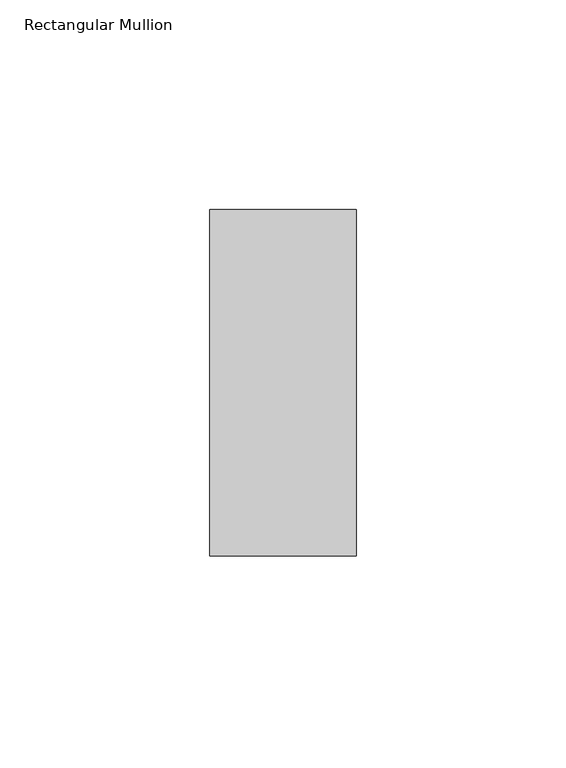
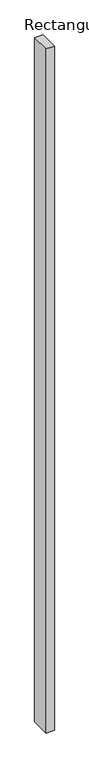
"""IFC4 building model written with IfcOpenShell, lengths in millimetres: member geometry, Rectangular Mullion."""

from ifc_helpers import new_model, si_unit, frame, origin, place, context, project, spatial, polyline, outline, extrude, source, transform, mapped, element, save


def rectangular_mullion_f72f4b3c(model_context):
    return source(origin(), model_context, "Body", "SweptSolid", [
        extrude(outline(polyline([(-34.925, -73.025), (-34.925, 9.525), (0.0, 9.525), (0.0, -73.025), (-34.925, -73.025)])), frame((0.0, 0.0, -3048.0), z_axis=(0.0, 0.0, 1.0), x_axis=(1.0, 0.0, 0.0)), (0.0, 0.0, 1.0), 3048.0),
    ])


if __name__ == "__main__":
    model = new_model("IFC4")
    model_context = context("Model", 3, world=origin())
    ifc_project = project(units=[si_unit("LENGTHUNIT", "METRE", prefix="MILLI")], contexts=[model_context])
    site = spatial("IfcSite", under=ifc_project)
    building = spatial("IfcBuilding", under=site)
    placement = place(None, origin())
    rectangular_mullion_shape = rectangular_mullion_f72f4b3c(model_context)
    element("IfcMember", 1, ObjectType="Rectangular Mullion", at=placement, inside=building, context=model_context, shape_type="MappedRepresentation", body=[
        mapped(rectangular_mullion_shape, transform((0.0, 0.0, 0.0), x_axis=(1.0, 0.0, 0.0), y_axis=(0.0, 1.0, 0.0), z_axis=(0.0, 0.0, 1.0))),
    ])
    save(model, "model.ifc")
